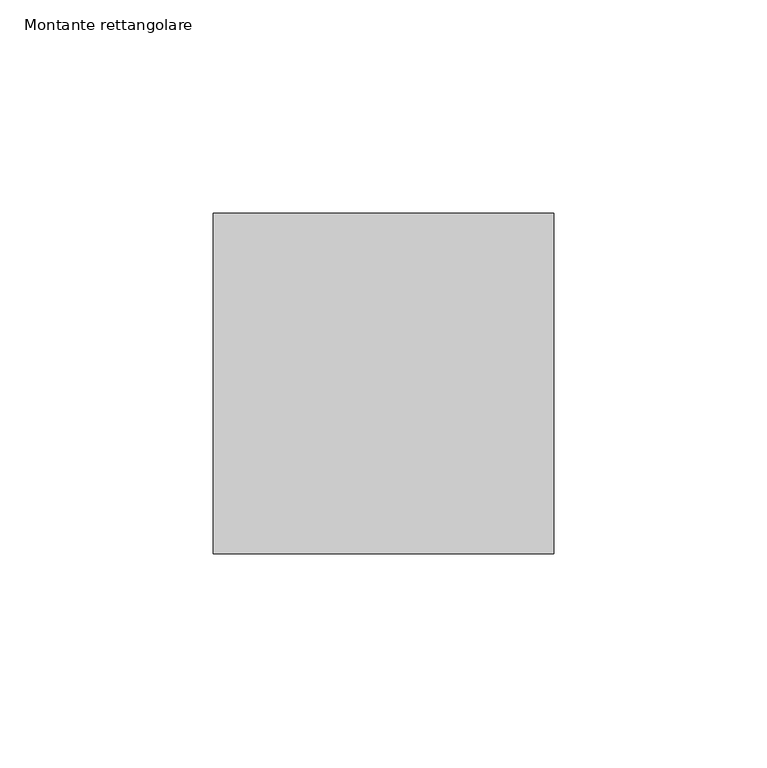
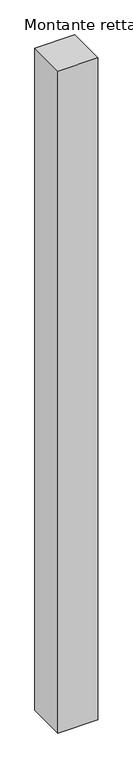
"""IFC4 building model written with IfcOpenShell, lengths in millimetres: member geometry, Montante rettangolare."""

from ifc_helpers import new_model, si_unit, frame, origin, place, context, project, spatial, polyline, outline, extrude, source, transform, mapped, element, save


def montante_rettangolare_564961b0(model_context):
    return source(origin(), model_context, "Body", "SweptSolid", [
        extrude(outline(polyline([(0.0, 40.0), (0.0, -40.0), (-80.0, -40.0), (-80.0, 40.0), (0.0, 40.0)])), frame((0.0, 0.0, -1400.0), z_axis=(0.0, 0.0, 1.0), x_axis=(1.0, 0.0, 0.0)), (0.0, 0.0, 1.0), 1400.0),
    ])


if __name__ == "__main__":
    model = new_model("IFC4")
    model_context = context("Model", 3, world=origin())
    ifc_project = project(units=[si_unit("LENGTHUNIT", "METRE", prefix="MILLI")], contexts=[model_context])
    site = spatial("IfcSite", under=ifc_project)
    building = spatial("IfcBuilding", under=site)
    placement = place(None, origin())
    montante_rettangolare_shape = montante_rettangolare_564961b0(model_context)
    element("IfcMember", 1, ObjectType="Montante rettangolare", at=placement, inside=building, context=model_context, shape_type="MappedRepresentation", body=[
        mapped(montante_rettangolare_shape, transform((0.0, 0.0, 0.0), x_axis=(1.0, 0.0, 0.0), y_axis=(0.0, 1.0, 0.0), z_axis=(0.0, 0.0, 1.0))),
    ])
    save(model, "model.ifc")
